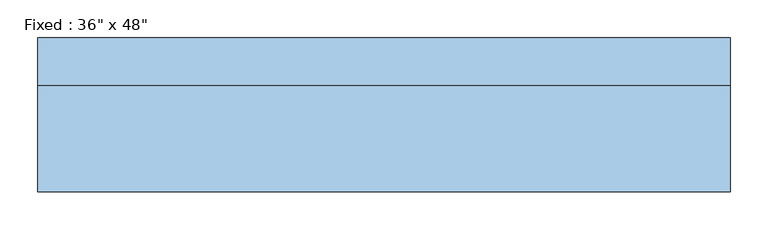
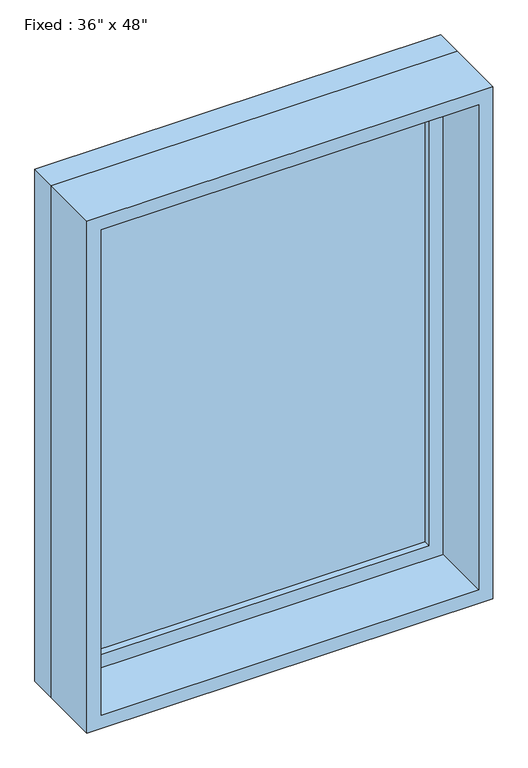
"""IFC4 building model written with IfcOpenShell, lengths in millimetres: window geometry."""

import ifcopenshell
import ifcopenshell.guid

model = None  # the IFC model being written
_history = None  # IfcOwnerHistory: only IFC2X3 demands one
_inside = {}  # id of a spatial element -> (the spatial element, [elements in it])
_under = {}  # id of a project, library or spatial element -> (it, [spatial elements below it])
_declared = {}  # id of a project -> (the project, [libraries it declares])
_typed = {}  # id of a type object -> (the type object, [elements of that type])
_made_of = {}  # id of a material, layer set ... -> (it, [elements and type objects made of it])


def new_model(schema):
    """Start an empty IFC model of exactly this schema.

    Asked for "IFC4X3", IfcOpenShell would pick the latest addendum, in which some entities
    have other attributes; the version numbers below select the first issue.
    IFC2X3 requires an IfcOwnerHistory on every rooted entity: one is made here for all.
    """
    global model, _history
    if schema == "IFC4X3":
        model = ifcopenshell.file(schema_version=(4, 3, 0, 0))
    else:
        model = ifcopenshell.file(schema=schema)
    _inside.clear()
    _under.clear()
    _declared.clear()
    _typed.clear()
    _made_of.clear()
    _history = None
    if model.schema == "IFC2X3":
        org = make("IfcOrganization", Name="unknown")
        user = make(
            "IfcPersonAndOrganization",
            ThePerson=make("IfcPerson", FamilyName="unknown"),
            TheOrganization=org,
        )
        app = make(
            "IfcApplication",
            ApplicationDeveloper=org,
            Version="unknown",
            ApplicationFullName="unknown",
            ApplicationIdentifier="unknown",
        )
        _history = make(
            "IfcOwnerHistory",
            OwningUser=user,
            OwningApplication=app,
            ChangeAction="ADDED",
            CreationDate=0,
        )
    return model


def make(cls, **values):
    """One entity of the class cls with the attributes given. An attribute that is None is left unset."""
    return model.create_entity(
        cls, **{name: value for name, value in values.items() if value is not None}
    )


def rooted(cls, **values):
    """An entity with a GlobalId (a new one), such as an element, a storey or a relation."""
    return make(cls, GlobalId=ifcopenshell.guid.new(), OwnerHistory=_history, **values)


def si_unit(unit_type, name, prefix=None):
    """IfcSIUnit, for example si_unit("LENGTHUNIT", "METRE", prefix="MILLI")."""
    return make("IfcSIUnit", UnitType=unit_type, Prefix=prefix, Name=name)


def assignment(units):
    """IfcUnitAssignment: the units of a project."""
    return None if units is None else make("IfcUnitAssignment", Units=units)


def point(xyz):
    """IfcCartesianPoint."""
    return None if xyz is None else make("IfcCartesianPoint", Coordinates=xyz)


def direction(xyz):
    """IfcDirection."""
    return None if xyz is None else make("IfcDirection", DirectionRatios=xyz)


def frame(location, z_axis=None, x_axis=None):
    """IfcAxis2Placement3D, a coordinate frame: its origin and axes. An axis left out is left unset."""
    return make(
        "IfcAxis2Placement3D",
        Location=point(location),
        Axis=direction(z_axis),
        RefDirection=direction(x_axis),
    )


def origin():
    """The frame at (0, 0, 0) with its axes left unset."""
    return frame((0.0, 0.0, 0.0))


def place(relative_to, where):
    """IfcLocalPlacement: puts the frame where relative to a parent placement (None: the world)."""
    return make(
        "IfcLocalPlacement", PlacementRelTo=relative_to, RelativePlacement=where
    )


def context(
    kind, dimensions, precision=None, world=None, true_north=None, identifier=None
):
    """IfcGeometricRepresentationContext, for example the 3D "Model" context."""
    return make(
        "IfcGeometricRepresentationContext",
        ContextIdentifier=identifier,
        ContextType=kind,
        CoordinateSpaceDimension=dimensions,
        Precision=precision,
        WorldCoordinateSystem=world,
        TrueNorth=true_north,
    )


def project(units=None, contexts=None):
    """IfcProject with its units and contexts."""
    return rooted(
        "IfcProject",
        Name="project",
        RepresentationContexts=contexts,
        UnitsInContext=assignment(units),
    )


def spatial(cls, under=None, at=None, **own):
    """A site, building, storey or space (cls), placed at a placement, below another one or the project."""
    s = rooted(cls, ObjectPlacement=at, **own)
    if under is not None:
        _under.setdefault(under.id(), (under, []))[1].append(s)
    return s


def polyline(points):
    """IfcPolyline through the points."""
    return make("IfcPolyline", Points=[point(p) for p in points])


def outline(outer, holes=None, kind="AREA"):
    """IfcArbitraryClosedProfileDef: a profile drawn as a closed curve; with holes, ...WithVoids."""
    if holes is None:
        return make("IfcArbitraryClosedProfileDef", ProfileType=kind, OuterCurve=outer)
    return make(
        "IfcArbitraryProfileDefWithVoids",
        ProfileType=kind,
        OuterCurve=outer,
        InnerCurves=holes,
    )


def extrude(swept, where, along, depth):
    """IfcExtrudedAreaSolid: the profile swept, set in the frame where, extruded along a direction by depth."""
    return make(
        "IfcExtrudedAreaSolid",
        SweptArea=swept,
        Position=where,
        ExtrudedDirection=direction(along),
        Depth=depth,
    )


def shape(context_of_items, identifier, shape_type, items):
    """IfcShapeRepresentation: the items that make up one representation, for example the "Body"."""
    return make(
        "IfcShapeRepresentation",
        ContextOfItems=context_of_items,
        RepresentationIdentifier=identifier,
        RepresentationType=shape_type,
        Items=items,
    )


def source(mapping_origin, context_of_items, identifier, shape_type, items):
    """IfcRepresentationMap: a shape defined once, which mapped items show again and again."""
    return make(
        "IfcRepresentationMap",
        MappingOrigin=mapping_origin,
        MappedRepresentation=shape(context_of_items, identifier, shape_type, items),
    )


def transform(
    local_origin,
    x_axis=None,
    y_axis=None,
    z_axis=None,
    scale=None,
    scale2=None,
    scale3=None,
    uniform=True,
):
    """IfcCartesianTransformationOperator3D, or its non-uniform kind. x_axis, y_axis, z_axis: its Axis1, 2, 3."""
    if uniform:
        return make(
            "IfcCartesianTransformationOperator3D",
            Axis1=direction(x_axis),
            Axis2=direction(y_axis),
            LocalOrigin=point(local_origin),
            Scale=scale,
            Axis3=direction(z_axis),
        )
    return make(
        "IfcCartesianTransformationOperator3DnonUniform",
        Axis1=direction(x_axis),
        Axis2=direction(y_axis),
        LocalOrigin=point(local_origin),
        Scale=scale,
        Axis3=direction(z_axis),
        Scale2=scale2,
        Scale3=scale3,
    )


def mapped(mapping_source, mapping_target):
    """IfcMappedItem: shows the shape of a source again, moved by a transform."""
    return make(
        "IfcMappedItem", MappingSource=mapping_source, MappingTarget=mapping_target
    )


def made_of(thing, what):
    """Note that an element or type object is made of a material, layer set ...; save() writes the relation."""
    if what is not None:
        _made_of.setdefault(what.id(), (what, []))[1].append(thing)
    return thing


def element(
    cls,
    number,
    at=None,
    inside=None,
    cuts=None,
    type_object=None,
    material=None,
    context=None,
    identifier="Body",
    shape_type=None,
    held_by="IfcProductDefinitionShape",
    body=None,
    shapes=None,
    **own,
):
    """One element of the class cls, such as IfcWall. Its Tag is "e" and its number.

    at: its placement. inside: the storey or other place that contains it. cuts: it is an
    opening in that element (IfcRelVoidsElement). A single representation is given by context,
    identifier, shape_type and body (its items); several are given by shapes. held_by: the class
    of the entity that holds the representations. save() writes the other relations.
    """
    e = rooted(cls, Tag="e%d" % number, ObjectPlacement=at, **own)
    if body is not None:
        shapes = [shape(context, identifier, shape_type, body)]
    if shapes is not None:
        e.Representation = make(held_by, Representations=shapes)
    if inside is not None:
        _inside.setdefault(inside.id(), (inside, []))[1].append(e)
    if cuts is not None:
        rooted(
            "IfcRelVoidsElement", RelatingBuildingElement=cuts, RelatedOpeningElement=e
        )
    if type_object is not None:
        _typed.setdefault(type_object.id(), (type_object, []))[1].append(e)
    return made_of(e, material)


def aggregate(whole, parts):
    """IfcRelAggregates: a whole, such as a stair, and the parts it consists of."""
    return rooted("IfcRelAggregates", RelatingObject=whole, RelatedObjects=parts)


def save(model, path):
    """Write the relations noted so far, then the file.

    IfcRelAggregates (storeys below a building ...), IfcRelContainedInSpatialStructure (elements
    in a storey), IfcRelDefinesByType, IfcRelAssociatesMaterial and IfcRelDeclares: one each for
    every whole, place, type object, material and project.
    """
    for whole, parts in _under.values():
        aggregate(whole, parts)
    for where, things in _inside.values():
        rooted(
            "IfcRelContainedInSpatialStructure",
            RelatedElements=things,
            RelatingStructure=where,
        )
    for kind, things in _typed.values():
        rooted("IfcRelDefinesByType", RelatedObjects=things, RelatingType=kind)
    for what, things in _made_of.values():
        rooted("IfcRelAssociatesMaterial", RelatedObjects=things, RelatingMaterial=what)
    for by, libraries in _declared.values():
        rooted("IfcRelDeclares", RelatingContext=by, RelatedDefinitions=libraries)
    model.write(path)


def window_e2841890(model_context):
    return source(origin(), model_context, "Body", "SweptSolid", [
        extrude(outline(polyline([(355.6, 53.975), (-431.8, 53.975), (-431.8, 66.675), (355.6, 66.675), (355.6, 53.975)])), frame((0.0, 0.0, 977.9), z_axis=(0.0, 0.0, 1.0), x_axis=(1.0, 0.0, 0.0)), (0.0, 0.0, 1.0), 1092.2),
        extrude(outline(polyline([(2114.55, -476.25), (933.45, -476.25), (933.45, 400.05), (2114.55, 400.05), (2114.55, -476.25)]), holes=[polyline([(2070.1, -431.8), (2070.1, 355.6), (977.9, 355.6), (977.9, -431.8), (2070.1, -431.8)])]), frame((0.0, 38.1, 0.0), z_axis=(0.0, 1.0, 0.0), x_axis=(0.0, 0.0, 1.0)), (0.0, 0.0, 1.0), 44.45),
        extrude(outline(polyline([(2133.6, -495.3), (914.4, -495.3), (914.4, 419.1), (2133.6, 419.1), (2133.6, -495.3)]), holes=[polyline([(2101.85, -463.55), (2101.85, 387.35), (946.15, 387.35), (946.15, -463.55), (2101.85, -463.55)])]), frame((0.0, -101.6, 0.0), z_axis=(0.0, 1.0, 0.0), x_axis=(0.0, 0.0, 1.0)), (0.0, 0.0, 1.0), 139.7),
        extrude(outline(polyline([(2133.6, 419.1), (2133.6, -495.3), (914.4, -495.3), (914.4, 419.1), (2133.6, 419.1)]), holes=[polyline([(2114.55, 400.05), (933.45, 400.05), (933.45, -476.25), (2114.55, -476.25), (2114.55, 400.05)])]), frame((0.0, 38.1, 0.0), z_axis=(0.0, 1.0, 0.0), x_axis=(0.0, 0.0, 1.0)), (0.0, 0.0, 1.0), 63.5),
    ])


if __name__ == "__main__":
    model = new_model("IFC4")
    model_context = context("Model", 3, world=origin())
    ifc_project = project(units=[si_unit("LENGTHUNIT", "METRE", prefix="MILLI")], contexts=[model_context])
    site = spatial("IfcSite", under=ifc_project)
    building = spatial("IfcBuilding", under=site)
    placement = place(None, origin())
    window_shape = window_e2841890(model_context)
    element("IfcWindow", 1, ObjectType="Fixed : 36\" x 48\"", at=placement, inside=building, context=model_context, shape_type="MappedRepresentation", body=[
        mapped(window_shape, transform((0.0, 0.0, 0.0), x_axis=(1.0, 0.0, 0.0), y_axis=(0.0, 1.0, 0.0), z_axis=(0.0, 0.0, 1.0))),
    ])
    save(model, "model.ifc")
